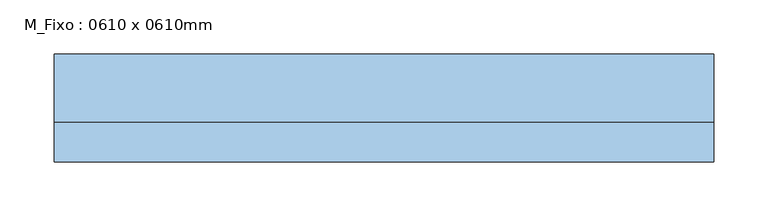
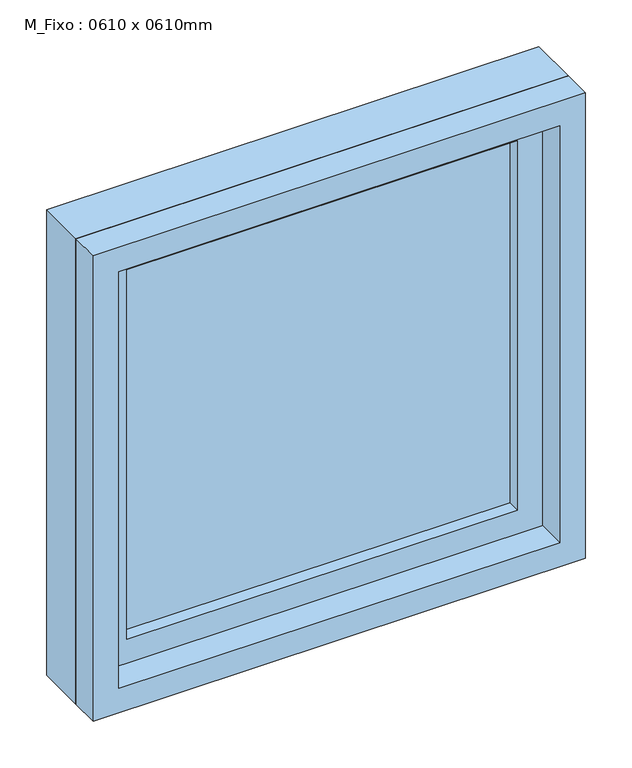
"""IFC4 building model written with IfcOpenShell, lengths in millimetres: window geometry, M_Fixo : 0610 x 0610mm."""

from ifc_helpers import new_model, si_unit, frame, origin, place, context, project, spatial, polyline, outline, extrude, source, transform, mapped, element, save


def m_fixo_0610_x_0610mm_a8d4968a(model_context):
    return source(origin(), model_context, "Body", "SweptSolid", [
        extrude(outline(polyline([(-242.0, 28.0), (242.0, 28.0), (242.0, 16.0), (-242.0, 16.0), (-242.0, 28.0)])), frame((0.0, 0.0, 978.0), z_axis=(0.0, 0.0, 1.0), x_axis=(1.0, 0.0, 0.0)), (0.0, 0.0, 1.0), 484.0),
        extrude(outline(polyline([(1506.0, -286.0), (934.0, -286.0), (934.0, 286.0), (1506.0, 286.0), (1506.0, -286.0)]), holes=[polyline([(1462.0, -242.0), (1462.0, 242.0), (978.0, 242.0), (978.0, -242.0), (1462.0, -242.0)])]), frame((0.0, 0.0, 0.0), z_axis=(0.0, 1.0, 0.0), x_axis=(0.0, 0.0, 1.0)), (0.0, 0.0, 1.0), 44.0),
        extrude(outline(polyline([(1525.0, -305.0), (915.0, -305.0), (915.0, 305.0), (1525.0, 305.0), (1525.0, -305.0)]), holes=[polyline([(1506.0, -286.0), (1506.0, 286.0), (934.0, 286.0), (934.0, -286.0), (1506.0, -286.0)])]), frame((0.0, 0.0, 0.0), z_axis=(0.0, 1.0, 0.0), x_axis=(0.0, 0.0, 1.0)), (0.0, 0.0, 1.0), 63.0),
        extrude(outline(polyline([(1525.0, -305.0), (915.0, -305.0), (915.0, 305.0), (1525.0, 305.0), (1525.0, -305.0)]), holes=[polyline([(1493.0, -273.0), (1493.0, 273.0), (947.0, 273.0), (947.0, -273.0), (1493.0, -273.0)])]), frame((0.0, -37.0, 0.0), z_axis=(0.0, 1.0, 0.0), x_axis=(0.0, 0.0, 1.0)), (0.0, 0.0, 1.0), 37.0),
    ])


if __name__ == "__main__":
    model = new_model("IFC4")
    model_context = context("Model", 3, world=origin())
    ifc_project = project(units=[si_unit("LENGTHUNIT", "METRE", prefix="MILLI")], contexts=[model_context])
    site = spatial("IfcSite", under=ifc_project)
    building = spatial("IfcBuilding", under=site)
    placement = place(None, origin())
    m_fixo_0610_x_0610mm_shape = m_fixo_0610_x_0610mm_a8d4968a(model_context)
    element("IfcWindow", 1, ObjectType="M_Fixo : 0610 x 0610mm", at=placement, inside=building, context=model_context, shape_type="MappedRepresentation", body=[
        mapped(m_fixo_0610_x_0610mm_shape, transform((0.0, 0.0, 0.0), x_axis=(1.0, 0.0, 0.0), y_axis=(0.0, 1.0, 0.0), z_axis=(0.0, 0.0, 1.0))),
    ])
    save(model, "model.ifc")
